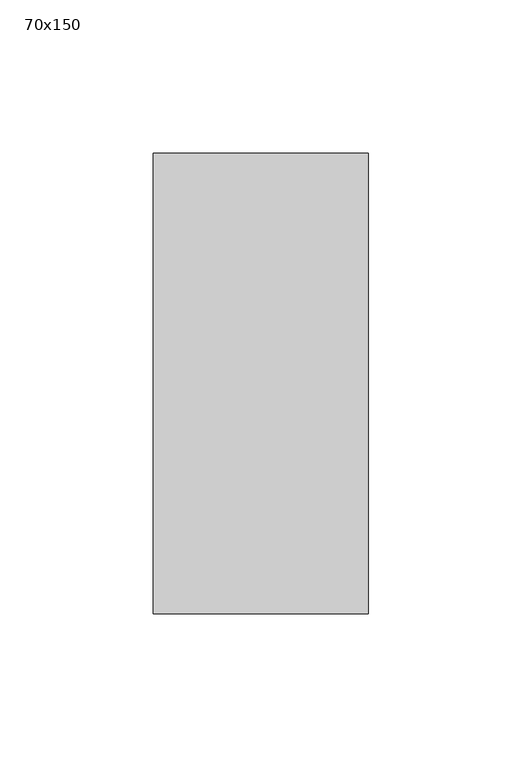
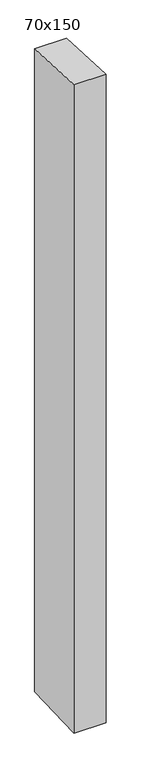
"""IFC4 building model written with IfcOpenShell, lengths in millimetres: member geometry, 70x150."""

from ifc_helpers import new_model, si_unit, frame, origin, place, context, project, spatial, polyline, outline, extrude, source, transform, mapped, element, save


def member_70x150_0feebcb7(model_context):
    return source(origin(), model_context, "Body", "SweptSolid", [
        extrude(outline(polyline([(-75.0, 3.9730116), (75.0, -3.9730116), (75.0, -1497.5403631), (-75.0, -1502.4525133), (-75.0, 3.9730116)])), frame((-70.0, 0.0, 0.0), z_axis=(1.0, 0.0, 0.0), x_axis=(0.0, 1.0, 0.0)), (0.0, 0.0, 1.0), 70.0),
    ])


if __name__ == "__main__":
    model = new_model("IFC4")
    model_context = context("Model", 3, world=origin())
    ifc_project = project(units=[si_unit("LENGTHUNIT", "METRE", prefix="MILLI")], contexts=[model_context])
    site = spatial("IfcSite", under=ifc_project)
    building = spatial("IfcBuilding", under=site)
    placement = place(None, origin())
    member_70x150_shape = member_70x150_0feebcb7(model_context)
    element("IfcMember", 1, ObjectType="70x150", at=placement, inside=building, context=model_context, shape_type="MappedRepresentation", body=[
        mapped(member_70x150_shape, transform((0.0, 0.0, 0.0), x_axis=(1.0, 0.0, 0.0), y_axis=(0.0, 1.0, 0.0), z_axis=(0.0, 0.0, 1.0))),
    ])
    save(model, "model.ifc")
